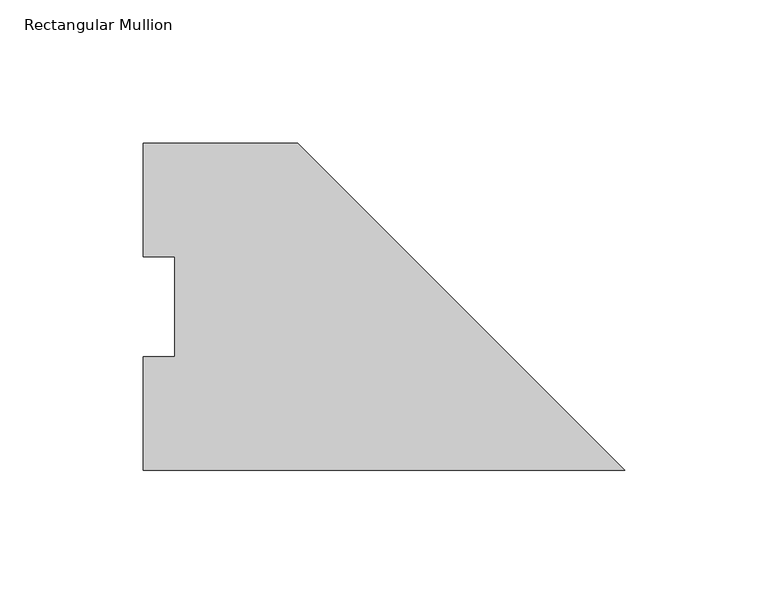
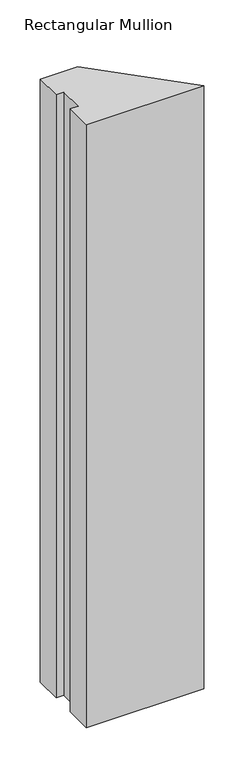
"""IFC4 building model written with IfcOpenShell, lengths in millimetres: member geometry, Rectangular Mullion."""

from ifc_helpers import new_model, si_unit, frame, origin, place, context, project, spatial, polyline, outline, extrude, source, transform, mapped, element, save


def rectangular_mullion_7931fa5d(model_context):
    return source(origin(), model_context, "Body", "SweptSolid", [
        extrude(outline(polyline([(0.0, -0.028575), (-168.275, -0.028575), (-168.275, 39.646225), (-157.1625, 39.646225), (-157.1625, 74.596625), (-168.275, 74.596625), (-168.275, 114.271425), (-114.3, 114.271425), (0.0, -0.028575)])), frame((0.0, 0.0, -914.4), z_axis=(0.0, 0.0, 1.0), x_axis=(1.0, 0.0, 0.0)), (0.0, 0.0, 1.0), 914.4),
    ])


if __name__ == "__main__":
    model = new_model("IFC4")
    model_context = context("Model", 3, world=origin())
    ifc_project = project(units=[si_unit("LENGTHUNIT", "METRE", prefix="MILLI")], contexts=[model_context])
    site = spatial("IfcSite", under=ifc_project)
    building = spatial("IfcBuilding", under=site)
    placement = place(None, origin())
    rectangular_mullion_shape = rectangular_mullion_7931fa5d(model_context)
    element("IfcMember", 1, ObjectType="Rectangular Mullion", at=placement, inside=building, context=model_context, shape_type="MappedRepresentation", body=[
        mapped(rectangular_mullion_shape, transform((0.0, 0.0, 0.0), x_axis=(1.0, 0.0, 0.0), y_axis=(0.0, 1.0, 0.0), z_axis=(0.0, 0.0, 1.0))),
    ])
    save(model, "model.ifc")
